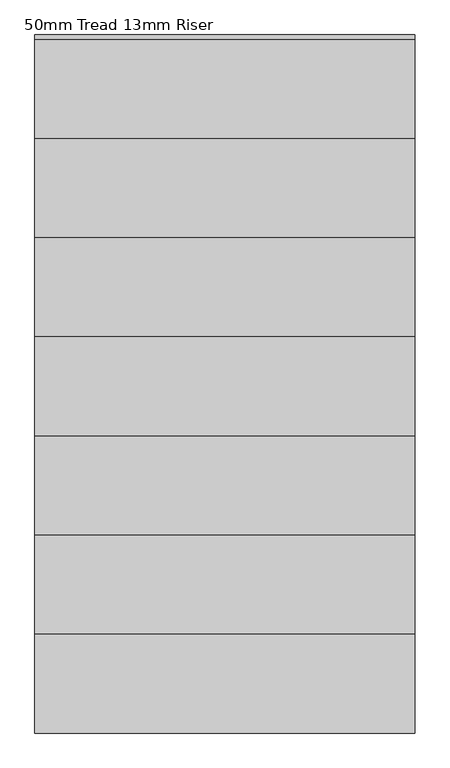
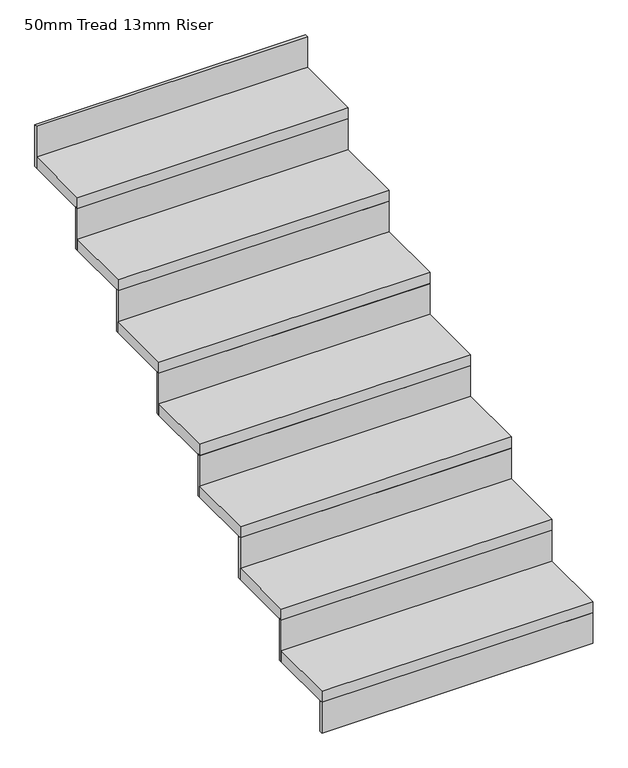
"""IFC4 building model written with IfcOpenShell, lengths in millimetres: stair flight geometry, 50mm Tread 13mm Riser."""

from ifc_helpers import new_model, si_unit, frame, origin, origin_with_axes, place, context, project, spatial, polyline, outline, extrude, source, transform, mapped, element, save


def stair_flight_50mm_tread_13mm_riser_b7a57bfe(model_context):
    return source(origin(), model_context, "Body", "SweptSolid", [
        extrude(outline(polyline([(1534.355623, -11459.865151), (1534.355623, -11472.365151), (383.6347234, -11472.365151), (383.6347234, -11459.865151), (1534.355623, -11459.865151)])), origin_with_axes(), (0.0, 0.0, 1.0), 137.5),
        extrude(outline(polyline([(383.6347234, -11172.365151), (1534.355623, -11172.365151), (1534.355623, -11472.365151), (383.6347234, -11472.365151), (383.6347234, -11172.365151)])), frame((0.0, 0.0, 137.5), z_axis=(0.0, 0.0, 1.0), x_axis=(1.0, 0.0, 0.0)), (0.0, 0.0, 1.0), 50.0),
        extrude(outline(polyline([(1534.355623, -11159.865151), (1534.355623, -11172.365151), (383.6347234, -11172.365151), (383.6347234, -11159.865151), (1534.355623, -11159.865151)])), frame((0.0, 0.0, 137.5), z_axis=(0.0, 0.0, 1.0), x_axis=(1.0, 0.0, 0.0)), (0.0, 0.0, 1.0), 187.5),
        extrude(outline(polyline([(383.6347234, -10872.365151), (1534.355623, -10872.365151), (1534.355623, -11172.365151), (383.6347234, -11172.365151), (383.6347234, -10872.365151)])), frame((0.0, 0.0, 325.0), z_axis=(0.0, 0.0, 1.0), x_axis=(1.0, 0.0, 0.0)), (0.0, 0.0, 1.0), 50.0),
        extrude(outline(polyline([(1534.355623, -10859.865151), (1534.355623, -10872.365151), (383.6347234, -10872.365151), (383.6347234, -10859.865151), (1534.355623, -10859.865151)])), frame((0.0, 0.0, 325.0), z_axis=(0.0, 0.0, 1.0), x_axis=(1.0, 0.0, 0.0)), (0.0, 0.0, 1.0), 187.5),
        extrude(outline(polyline([(383.6347234, -10572.365151), (1534.355623, -10572.365151), (1534.355623, -10872.365151), (383.6347234, -10872.365151), (383.6347234, -10572.365151)])), frame((0.0, 0.0, 512.5), z_axis=(0.0, 0.0, 1.0), x_axis=(1.0, 0.0, 0.0)), (0.0, 0.0, 1.0), 50.0),
        extrude(outline(polyline([(1534.355623, -10559.865151), (1534.355623, -10572.365151), (383.6347234, -10572.365151), (383.6347234, -10559.865151), (1534.355623, -10559.865151)])), frame((0.0, 0.0, 512.5), z_axis=(0.0, 0.0, 1.0), x_axis=(1.0, 0.0, 0.0)), (0.0, 0.0, 1.0), 187.5),
        extrude(outline(polyline([(383.6347234, -10272.365151), (1534.355623, -10272.365151), (1534.355623, -10572.365151), (383.6347234, -10572.365151), (383.6347234, -10272.365151)])), frame((0.0, 0.0, 700.0), z_axis=(0.0, 0.0, 1.0), x_axis=(1.0, 0.0, 0.0)), (0.0, 0.0, 1.0), 50.0),
        extrude(outline(polyline([(1534.355623, -10259.865151), (1534.355623, -10272.365151), (383.6347234, -10272.365151), (383.6347234, -10259.865151), (1534.355623, -10259.865151)])), frame((0.0, 0.0, 700.0), z_axis=(0.0, 0.0, 1.0), x_axis=(1.0, 0.0, 0.0)), (0.0, 0.0, 1.0), 187.5),
        extrude(outline(polyline([(383.6347234, -9972.365151), (1534.355623, -9972.365151), (1534.355623, -10272.365151), (383.6347234, -10272.365151), (383.6347234, -9972.365151)])), frame((0.0, 0.0, 887.5), z_axis=(0.0, 0.0, 1.0), x_axis=(1.0, 0.0, 0.0)), (0.0, 0.0, 1.0), 50.0),
        extrude(outline(polyline([(1534.355623, -9959.865151), (1534.355623, -9972.365151), (383.6347234, -9972.365151), (383.6347234, -9959.865151), (1534.355623, -9959.865151)])), frame((0.0, 0.0, 887.5), z_axis=(0.0, 0.0, 1.0), x_axis=(1.0, 0.0, 0.0)), (0.0, 0.0, 1.0), 187.5),
        extrude(outline(polyline([(383.6347234, -9672.365151), (1534.355623, -9672.365151), (1534.355623, -9972.365151), (383.6347234, -9972.365151), (383.6347234, -9672.365151)])), frame((0.0, 0.0, 1075.0), z_axis=(0.0, 0.0, 1.0), x_axis=(1.0, 0.0, 0.0)), (0.0, 0.0, 1.0), 50.0),
        extrude(outline(polyline([(1534.355623, -9659.865151), (1534.355623, -9672.365151), (383.6347234, -9672.365151), (383.6347234, -9659.865151), (1534.355623, -9659.865151)])), frame((0.0, 0.0, 1075.0), z_axis=(0.0, 0.0, 1.0), x_axis=(1.0, 0.0, 0.0)), (0.0, 0.0, 1.0), 187.5),
        extrude(outline(polyline([(1534.355623, -9359.865151), (1534.355623, -9372.365151), (383.6347234, -9372.365151), (383.6347234, -9359.865151), (1534.355623, -9359.865151)])), frame((0.0, 0.0, 1262.5), z_axis=(0.0, 0.0, 1.0), x_axis=(1.0, 0.0, 0.0)), (0.0, 0.0, 1.0), 187.5),
        extrude(outline(polyline([(383.6347234, -9372.365151), (1534.355623, -9372.365151), (1534.355623, -9672.365151), (383.6347234, -9672.365151), (383.6347234, -9372.365151)])), frame((0.0, 0.0, 1262.5), z_axis=(0.0, 0.0, 1.0), x_axis=(1.0, 0.0, 0.0)), (0.0, 0.0, 1.0), 50.0),
    ])


if __name__ == "__main__":
    model = new_model("IFC4")
    model_context = context("Model", 3, world=origin())
    ifc_project = project(units=[si_unit("LENGTHUNIT", "METRE", prefix="MILLI")], contexts=[model_context])
    site = spatial("IfcSite", under=ifc_project)
    building = spatial("IfcBuilding", under=site)
    placement = place(None, origin())
    stair_flight_50mm_tread_13mm_riser_shape = stair_flight_50mm_tread_13mm_riser_b7a57bfe(model_context)
    element("IfcStairFlight", 1, ObjectType="50mm Tread 13mm Riser", at=placement, inside=building, context=model_context, shape_type="MappedRepresentation", body=[
        mapped(stair_flight_50mm_tread_13mm_riser_shape, transform((0.0, 0.0, 0.0), x_axis=(1.0, 0.0, 0.0), y_axis=(0.0, 1.0, 0.0), z_axis=(0.0, 0.0, 1.0))),
    ])
    save(model, "model.ifc")
